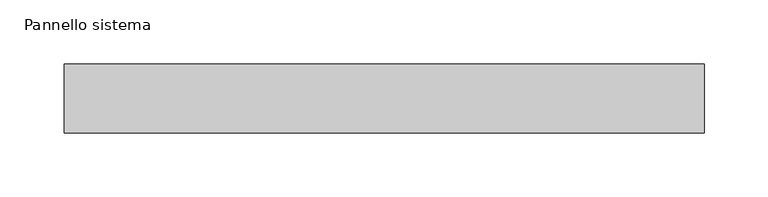
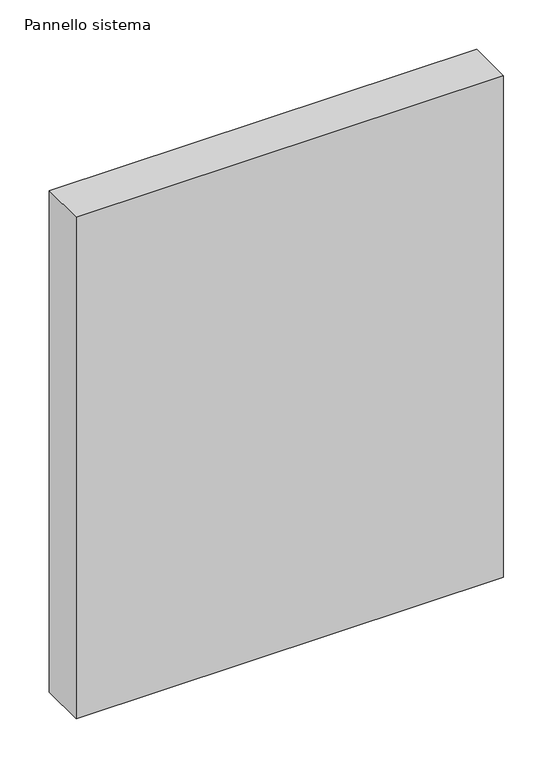
"""IFC4 building model written with IfcOpenShell, lengths in millimetres: plate geometry, Pannello sistema."""

from ifc_helpers import new_model, si_unit, origin, origin_with_axes, place, context, project, spatial, polyline, outline, extrude, source, transform, mapped, element, save


def pannello_sistema_00b6f541(model_context):
    return source(origin(), model_context, "Body", "SweptSolid", [
        extrude(outline(polyline([(250.0, -27.0), (-250.0, -27.0), (-250.0, 27.0), (250.0, 27.0), (250.0, -27.0)])), origin_with_axes(), (0.0, 0.0, 1.0), 620.0),
    ])


if __name__ == "__main__":
    model = new_model("IFC4")
    model_context = context("Model", 3, world=origin())
    ifc_project = project(units=[si_unit("LENGTHUNIT", "METRE", prefix="MILLI")], contexts=[model_context])
    site = spatial("IfcSite", under=ifc_project)
    building = spatial("IfcBuilding", under=site)
    placement = place(None, origin())
    pannello_sistema_shape = pannello_sistema_00b6f541(model_context)
    element("IfcPlate", 1, ObjectType="Pannello sistema", at=placement, inside=building, context=model_context, shape_type="MappedRepresentation", body=[
        mapped(pannello_sistema_shape, transform((0.0, 0.0, 0.0), x_axis=(1.0, 0.0, 0.0), y_axis=(0.0, 1.0, 0.0), z_axis=(0.0, 0.0, 1.0))),
    ])
    save(model, "model.ifc")
